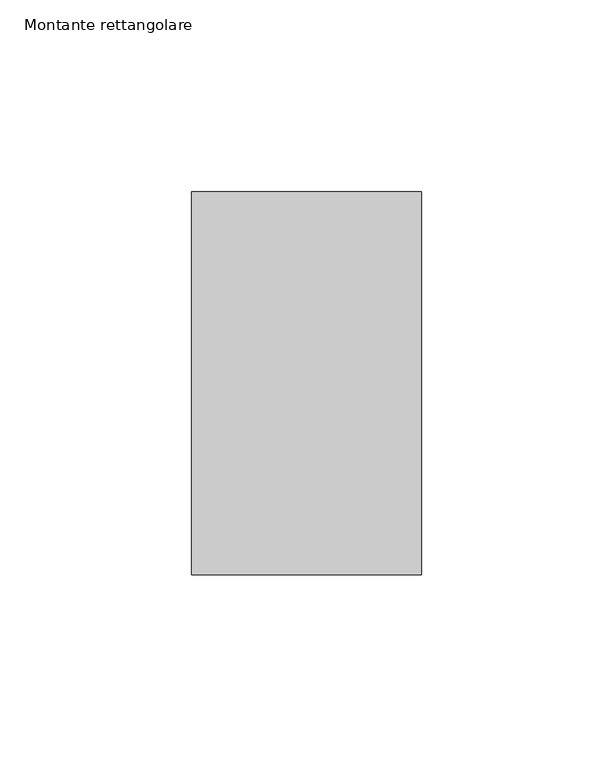
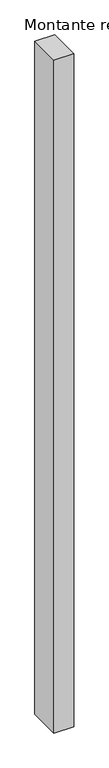
"""IFC4 building model written with IfcOpenShell, lengths in millimetres: member geometry, Montante rettangolare."""

import ifcopenshell
import ifcopenshell.guid

model = None  # the IFC model being written
_history = None  # IfcOwnerHistory: only IFC2X3 demands one
_inside = {}  # id of a spatial element -> (the spatial element, [elements in it])
_under = {}  # id of a project, library or spatial element -> (it, [spatial elements below it])
_declared = {}  # id of a project -> (the project, [libraries it declares])
_typed = {}  # id of a type object -> (the type object, [elements of that type])
_made_of = {}  # id of a material, layer set ... -> (it, [elements and type objects made of it])


def new_model(schema):
    """Start an empty IFC model of exactly this schema.

    Asked for "IFC4X3", IfcOpenShell would pick the latest addendum, in which some entities
    have other attributes; the version numbers below select the first issue.
    IFC2X3 requires an IfcOwnerHistory on every rooted entity: one is made here for all.
    """
    global model, _history
    if schema == "IFC4X3":
        model = ifcopenshell.file(schema_version=(4, 3, 0, 0))
    else:
        model = ifcopenshell.file(schema=schema)
    _inside.clear()
    _under.clear()
    _declared.clear()
    _typed.clear()
    _made_of.clear()
    _history = None
    if model.schema == "IFC2X3":
        org = make("IfcOrganization", Name="unknown")
        user = make(
            "IfcPersonAndOrganization",
            ThePerson=make("IfcPerson", FamilyName="unknown"),
            TheOrganization=org,
        )
        app = make(
            "IfcApplication",
            ApplicationDeveloper=org,
            Version="unknown",
            ApplicationFullName="unknown",
            ApplicationIdentifier="unknown",
        )
        _history = make(
            "IfcOwnerHistory",
            OwningUser=user,
            OwningApplication=app,
            ChangeAction="ADDED",
            CreationDate=0,
        )
    return model


def make(cls, **values):
    """One entity of the class cls with the attributes given. An attribute that is None is left unset."""
    return model.create_entity(
        cls, **{name: value for name, value in values.items() if value is not None}
    )


def rooted(cls, **values):
    """An entity with a GlobalId (a new one), such as an element, a storey or a relation."""
    return make(cls, GlobalId=ifcopenshell.guid.new(), OwnerHistory=_history, **values)


def si_unit(unit_type, name, prefix=None):
    """IfcSIUnit, for example si_unit("LENGTHUNIT", "METRE", prefix="MILLI")."""
    return make("IfcSIUnit", UnitType=unit_type, Prefix=prefix, Name=name)


def assignment(units):
    """IfcUnitAssignment: the units of a project."""
    return None if units is None else make("IfcUnitAssignment", Units=units)


def point(xyz):
    """IfcCartesianPoint."""
    return None if xyz is None else make("IfcCartesianPoint", Coordinates=xyz)


def direction(xyz):
    """IfcDirection."""
    return None if xyz is None else make("IfcDirection", DirectionRatios=xyz)


def frame(location, z_axis=None, x_axis=None):
    """IfcAxis2Placement3D, a coordinate frame: its origin and axes. An axis left out is left unset."""
    return make(
        "IfcAxis2Placement3D",
        Location=point(location),
        Axis=direction(z_axis),
        RefDirection=direction(x_axis),
    )


def origin():
    """The frame at (0, 0, 0) with its axes left unset."""
    return frame((0.0, 0.0, 0.0))


def place(relative_to, where):
    """IfcLocalPlacement: puts the frame where relative to a parent placement (None: the world)."""
    return make(
        "IfcLocalPlacement", PlacementRelTo=relative_to, RelativePlacement=where
    )


def context(
    kind, dimensions, precision=None, world=None, true_north=None, identifier=None
):
    """IfcGeometricRepresentationContext, for example the 3D "Model" context."""
    return make(
        "IfcGeometricRepresentationContext",
        ContextIdentifier=identifier,
        ContextType=kind,
        CoordinateSpaceDimension=dimensions,
        Precision=precision,
        WorldCoordinateSystem=world,
        TrueNorth=true_north,
    )


def project(units=None, contexts=None):
    """IfcProject with its units and contexts."""
    return rooted(
        "IfcProject",
        Name="project",
        RepresentationContexts=contexts,
        UnitsInContext=assignment(units),
    )


def spatial(cls, under=None, at=None, **own):
    """A site, building, storey or space (cls), placed at a placement, below another one or the project."""
    s = rooted(cls, ObjectPlacement=at, **own)
    if under is not None:
        _under.setdefault(under.id(), (under, []))[1].append(s)
    return s


def polyline(points):
    """IfcPolyline through the points."""
    return make("IfcPolyline", Points=[point(p) for p in points])


def outline(outer, holes=None, kind="AREA"):
    """IfcArbitraryClosedProfileDef: a profile drawn as a closed curve; with holes, ...WithVoids."""
    if holes is None:
        return make("IfcArbitraryClosedProfileDef", ProfileType=kind, OuterCurve=outer)
    return make(
        "IfcArbitraryProfileDefWithVoids",
        ProfileType=kind,
        OuterCurve=outer,
        InnerCurves=holes,
    )


def extrude(swept, where, along, depth):
    """IfcExtrudedAreaSolid: the profile swept, set in the frame where, extruded along a direction by depth."""
    return make(
        "IfcExtrudedAreaSolid",
        SweptArea=swept,
        Position=where,
        ExtrudedDirection=direction(along),
        Depth=depth,
    )


def shape(context_of_items, identifier, shape_type, items):
    """IfcShapeRepresentation: the items that make up one representation, for example the "Body"."""
    return make(
        "IfcShapeRepresentation",
        ContextOfItems=context_of_items,
        RepresentationIdentifier=identifier,
        RepresentationType=shape_type,
        Items=items,
    )


def source(mapping_origin, context_of_items, identifier, shape_type, items):
    """IfcRepresentationMap: a shape defined once, which mapped items show again and again."""
    return make(
        "IfcRepresentationMap",
        MappingOrigin=mapping_origin,
        MappedRepresentation=shape(context_of_items, identifier, shape_type, items),
    )


def transform(
    local_origin,
    x_axis=None,
    y_axis=None,
    z_axis=None,
    scale=None,
    scale2=None,
    scale3=None,
    uniform=True,
):
    """IfcCartesianTransformationOperator3D, or its non-uniform kind. x_axis, y_axis, z_axis: its Axis1, 2, 3."""
    if uniform:
        return make(
            "IfcCartesianTransformationOperator3D",
            Axis1=direction(x_axis),
            Axis2=direction(y_axis),
            LocalOrigin=point(local_origin),
            Scale=scale,
            Axis3=direction(z_axis),
        )
    return make(
        "IfcCartesianTransformationOperator3DnonUniform",
        Axis1=direction(x_axis),
        Axis2=direction(y_axis),
        LocalOrigin=point(local_origin),
        Scale=scale,
        Axis3=direction(z_axis),
        Scale2=scale2,
        Scale3=scale3,
    )


def mapped(mapping_source, mapping_target):
    """IfcMappedItem: shows the shape of a source again, moved by a transform."""
    return make(
        "IfcMappedItem", MappingSource=mapping_source, MappingTarget=mapping_target
    )


def made_of(thing, what):
    """Note that an element or type object is made of a material, layer set ...; save() writes the relation."""
    if what is not None:
        _made_of.setdefault(what.id(), (what, []))[1].append(thing)
    return thing


def element(
    cls,
    number,
    at=None,
    inside=None,
    cuts=None,
    type_object=None,
    material=None,
    context=None,
    identifier="Body",
    shape_type=None,
    held_by="IfcProductDefinitionShape",
    body=None,
    shapes=None,
    **own,
):
    """One element of the class cls, such as IfcWall. Its Tag is "e" and its number.

    at: its placement. inside: the storey or other place that contains it. cuts: it is an
    opening in that element (IfcRelVoidsElement). A single representation is given by context,
    identifier, shape_type and body (its items); several are given by shapes. held_by: the class
    of the entity that holds the representations. save() writes the other relations.
    """
    e = rooted(cls, Tag="e%d" % number, ObjectPlacement=at, **own)
    if body is not None:
        shapes = [shape(context, identifier, shape_type, body)]
    if shapes is not None:
        e.Representation = make(held_by, Representations=shapes)
    if inside is not None:
        _inside.setdefault(inside.id(), (inside, []))[1].append(e)
    if cuts is not None:
        rooted(
            "IfcRelVoidsElement", RelatingBuildingElement=cuts, RelatedOpeningElement=e
        )
    if type_object is not None:
        _typed.setdefault(type_object.id(), (type_object, []))[1].append(e)
    return made_of(e, material)


def aggregate(whole, parts):
    """IfcRelAggregates: a whole, such as a stair, and the parts it consists of."""
    return rooted("IfcRelAggregates", RelatingObject=whole, RelatedObjects=parts)


def save(model, path):
    """Write the relations noted so far, then the file.

    IfcRelAggregates (storeys below a building ...), IfcRelContainedInSpatialStructure (elements
    in a storey), IfcRelDefinesByType, IfcRelAssociatesMaterial and IfcRelDeclares: one each for
    every whole, place, type object, material and project.
    """
    for whole, parts in _under.values():
        aggregate(whole, parts)
    for where, things in _inside.values():
        rooted(
            "IfcRelContainedInSpatialStructure",
            RelatedElements=things,
            RelatingStructure=where,
        )
    for kind, things in _typed.values():
        rooted("IfcRelDefinesByType", RelatedObjects=things, RelatingType=kind)
    for what, things in _made_of.values():
        rooted("IfcRelAssociatesMaterial", RelatedObjects=things, RelatingMaterial=what)
    for by, libraries in _declared.values():
        rooted("IfcRelDeclares", RelatingContext=by, RelatedDefinitions=libraries)
    model.write(path)


def montante_rettangolare_f122c480(model_context):
    return source(origin(), model_context, "Body", "SweptSolid", [
        extrude(outline(polyline([(30.0, 50.0), (30.0, -50.0), (-30.0, -50.0), (-30.0, 50.0), (30.0, 50.0)])), frame((0.0, 0.0, -2151.5099801), z_axis=(0.0, 0.0, 1.0), x_axis=(1.0, 0.0, 0.0)), (0.0, 0.0, 1.0), 2151.5099801),
    ])


if __name__ == "__main__":
    model = new_model("IFC4")
    model_context = context("Model", 3, world=origin())
    ifc_project = project(units=[si_unit("LENGTHUNIT", "METRE", prefix="MILLI")], contexts=[model_context])
    site = spatial("IfcSite", under=ifc_project)
    building = spatial("IfcBuilding", under=site)
    placement = place(None, origin())
    montante_rettangolare_shape = montante_rettangolare_f122c480(model_context)
    element("IfcMember", 1, ObjectType="Montante rettangolare", at=placement, inside=building, context=model_context, shape_type="MappedRepresentation", body=[
        mapped(montante_rettangolare_shape, transform((0.0, 0.0, 0.0), x_axis=(1.0, 0.0, 0.0), y_axis=(0.0, 1.0, 0.0), z_axis=(0.0, 0.0, 1.0))),
    ])
    save(model, "model.ifc")
